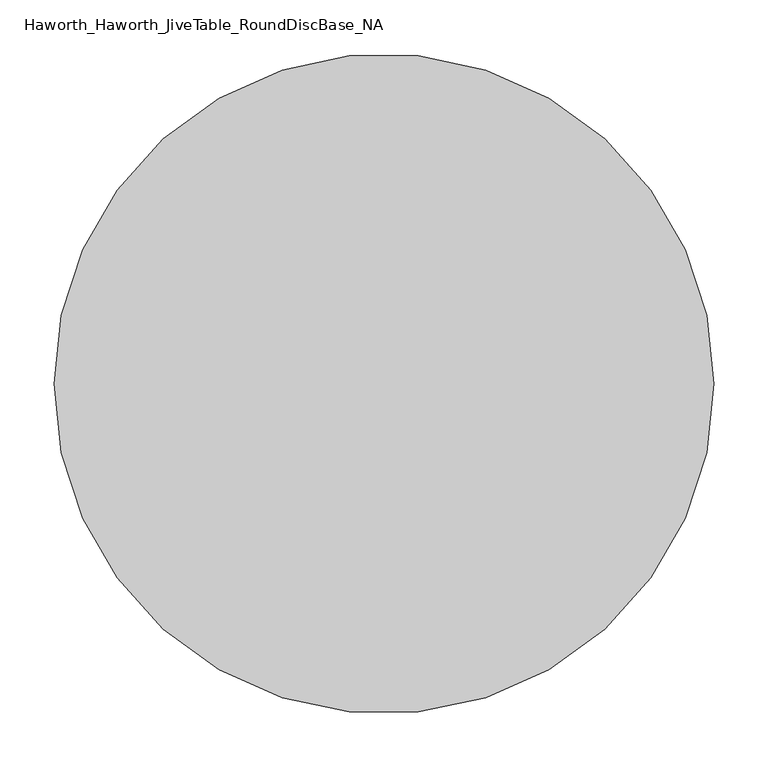
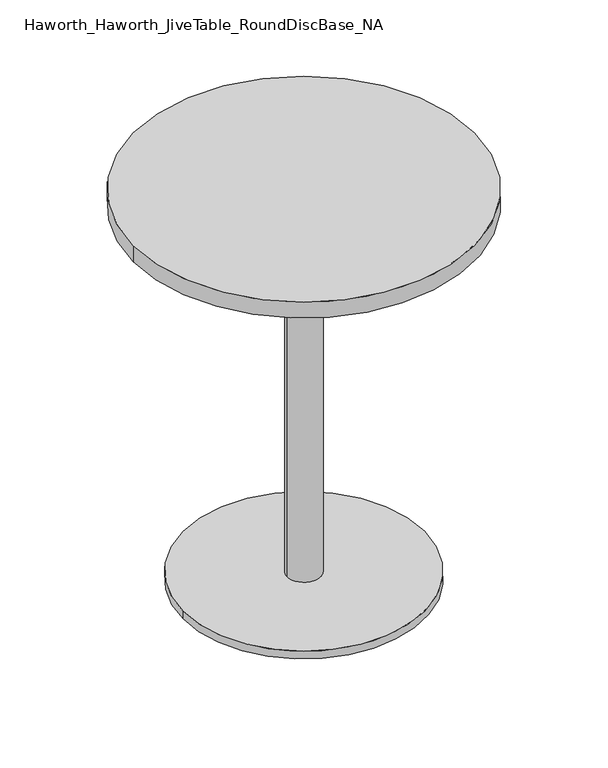
"""IFC4 building model written with IfcOpenShell, lengths in millimetres: furniture geometry, Haworth_Haworth_JiveTable_RoundDiscBase_NA."""

import ifcopenshell
import ifcopenshell.guid

model = None  # the IFC model being written
_history = None  # IfcOwnerHistory: only IFC2X3 demands one
_inside = {}  # id of a spatial element -> (the spatial element, [elements in it])
_under = {}  # id of a project, library or spatial element -> (it, [spatial elements below it])
_declared = {}  # id of a project -> (the project, [libraries it declares])
_typed = {}  # id of a type object -> (the type object, [elements of that type])
_made_of = {}  # id of a material, layer set ... -> (it, [elements and type objects made of it])


def new_model(schema):
    """Start an empty IFC model of exactly this schema.

    Asked for "IFC4X3", IfcOpenShell would pick the latest addendum, in which some entities
    have other attributes; the version numbers below select the first issue.
    IFC2X3 requires an IfcOwnerHistory on every rooted entity: one is made here for all.
    """
    global model, _history
    if schema == "IFC4X3":
        model = ifcopenshell.file(schema_version=(4, 3, 0, 0))
    else:
        model = ifcopenshell.file(schema=schema)
    _inside.clear()
    _under.clear()
    _declared.clear()
    _typed.clear()
    _made_of.clear()
    _history = None
    if model.schema == "IFC2X3":
        org = make("IfcOrganization", Name="unknown")
        user = make(
            "IfcPersonAndOrganization",
            ThePerson=make("IfcPerson", FamilyName="unknown"),
            TheOrganization=org,
        )
        app = make(
            "IfcApplication",
            ApplicationDeveloper=org,
            Version="unknown",
            ApplicationFullName="unknown",
            ApplicationIdentifier="unknown",
        )
        _history = make(
            "IfcOwnerHistory",
            OwningUser=user,
            OwningApplication=app,
            ChangeAction="ADDED",
            CreationDate=0,
        )
    return model


def make(cls, **values):
    """One entity of the class cls with the attributes given. An attribute that is None is left unset."""
    return model.create_entity(
        cls, **{name: value for name, value in values.items() if value is not None}
    )


def rooted(cls, **values):
    """An entity with a GlobalId (a new one), such as an element, a storey or a relation."""
    return make(cls, GlobalId=ifcopenshell.guid.new(), OwnerHistory=_history, **values)


def si_unit(unit_type, name, prefix=None):
    """IfcSIUnit, for example si_unit("LENGTHUNIT", "METRE", prefix="MILLI")."""
    return make("IfcSIUnit", UnitType=unit_type, Prefix=prefix, Name=name)


def assignment(units):
    """IfcUnitAssignment: the units of a project."""
    return None if units is None else make("IfcUnitAssignment", Units=units)


def point(xyz):
    """IfcCartesianPoint."""
    return None if xyz is None else make("IfcCartesianPoint", Coordinates=xyz)


def direction(xyz):
    """IfcDirection."""
    return None if xyz is None else make("IfcDirection", DirectionRatios=xyz)


def frame(location, z_axis=None, x_axis=None):
    """IfcAxis2Placement3D, a coordinate frame: its origin and axes. An axis left out is left unset."""
    return make(
        "IfcAxis2Placement3D",
        Location=point(location),
        Axis=direction(z_axis),
        RefDirection=direction(x_axis),
    )


def frame_2d(location, x_axis=None):
    """IfcAxis2Placement2D, a coordinate frame in the plane: its origin and x axis."""
    return make(
        "IfcAxis2Placement2D", Location=point(location), RefDirection=direction(x_axis)
    )


def origin():
    """The frame at (0, 0, 0) with its axes left unset."""
    return frame((0.0, 0.0, 0.0))


def origin_with_axes():
    """The frame at (0, 0, 0) with the z axis (0, 0, 1) and the x axis (1, 0, 0) written out."""
    return frame((0.0, 0.0, 0.0), z_axis=(0.0, 0.0, 1.0), x_axis=(1.0, 0.0, 0.0))


def origin_2d():
    """The frame at (0, 0) in the plane with its x axis left unset."""
    return frame_2d((0.0, 0.0))


def place(relative_to, where):
    """IfcLocalPlacement: puts the frame where relative to a parent placement (None: the world)."""
    return make(
        "IfcLocalPlacement", PlacementRelTo=relative_to, RelativePlacement=where
    )


def context(
    kind, dimensions, precision=None, world=None, true_north=None, identifier=None
):
    """IfcGeometricRepresentationContext, for example the 3D "Model" context."""
    return make(
        "IfcGeometricRepresentationContext",
        ContextIdentifier=identifier,
        ContextType=kind,
        CoordinateSpaceDimension=dimensions,
        Precision=precision,
        WorldCoordinateSystem=world,
        TrueNorth=true_north,
    )


def project(units=None, contexts=None):
    """IfcProject with its units and contexts."""
    return rooted(
        "IfcProject",
        Name="project",
        RepresentationContexts=contexts,
        UnitsInContext=assignment(units),
    )


def spatial(cls, under=None, at=None, **own):
    """A site, building, storey or space (cls), placed at a placement, below another one or the project."""
    s = rooted(cls, ObjectPlacement=at, **own)
    if under is not None:
        _under.setdefault(under.id(), (under, []))[1].append(s)
    return s


def polyline(points):
    """IfcPolyline through the points."""
    return make("IfcPolyline", Points=[point(p) for p in points])


def circle_curve(where, radius):
    """IfcCircle in the frame where."""
    return make("IfcCircle", Position=where, Radius=radius)


def trimmed(basis, trim1, trim2, sense, master):
    """IfcTrimmedCurve: the piece of a basis curve between two trims."""
    return make(
        "IfcTrimmedCurve",
        BasisCurve=basis,
        Trim1=trim1,
        Trim2=trim2,
        SenseAgreement=sense,
        MasterRepresentation=master,
    )


def segment(curve, same_sense, transition):
    """IfcCompositeCurveSegment."""
    return make(
        "IfcCompositeCurveSegment",
        Transition=transition,
        SameSense=same_sense,
        ParentCurve=curve,
    )


def composite_curve(segments, self_intersect=None):
    """IfcCompositeCurve: segments joined end to end."""
    return make("IfcCompositeCurve", Segments=segments, SelfIntersect=self_intersect)


def outline(outer, holes=None, kind="AREA"):
    """IfcArbitraryClosedProfileDef: a profile drawn as a closed curve; with holes, ...WithVoids."""
    if holes is None:
        return make("IfcArbitraryClosedProfileDef", ProfileType=kind, OuterCurve=outer)
    return make(
        "IfcArbitraryProfileDefWithVoids",
        ProfileType=kind,
        OuterCurve=outer,
        InnerCurves=holes,
    )


def extrude(swept, where, along, depth):
    """IfcExtrudedAreaSolid: the profile swept, set in the frame where, extruded along a direction by depth."""
    return make(
        "IfcExtrudedAreaSolid",
        SweptArea=swept,
        Position=where,
        ExtrudedDirection=direction(along),
        Depth=depth,
    )


def shape(context_of_items, identifier, shape_type, items):
    """IfcShapeRepresentation: the items that make up one representation, for example the "Body"."""
    return make(
        "IfcShapeRepresentation",
        ContextOfItems=context_of_items,
        RepresentationIdentifier=identifier,
        RepresentationType=shape_type,
        Items=items,
    )


def source(mapping_origin, context_of_items, identifier, shape_type, items):
    """IfcRepresentationMap: a shape defined once, which mapped items show again and again."""
    return make(
        "IfcRepresentationMap",
        MappingOrigin=mapping_origin,
        MappedRepresentation=shape(context_of_items, identifier, shape_type, items),
    )


def transform(
    local_origin,
    x_axis=None,
    y_axis=None,
    z_axis=None,
    scale=None,
    scale2=None,
    scale3=None,
    uniform=True,
):
    """IfcCartesianTransformationOperator3D, or its non-uniform kind. x_axis, y_axis, z_axis: its Axis1, 2, 3."""
    if uniform:
        return make(
            "IfcCartesianTransformationOperator3D",
            Axis1=direction(x_axis),
            Axis2=direction(y_axis),
            LocalOrigin=point(local_origin),
            Scale=scale,
            Axis3=direction(z_axis),
        )
    return make(
        "IfcCartesianTransformationOperator3DnonUniform",
        Axis1=direction(x_axis),
        Axis2=direction(y_axis),
        LocalOrigin=point(local_origin),
        Scale=scale,
        Axis3=direction(z_axis),
        Scale2=scale2,
        Scale3=scale3,
    )


def mapped(mapping_source, mapping_target):
    """IfcMappedItem: shows the shape of a source again, moved by a transform."""
    return make(
        "IfcMappedItem", MappingSource=mapping_source, MappingTarget=mapping_target
    )


def made_of(thing, what):
    """Note that an element or type object is made of a material, layer set ...; save() writes the relation."""
    if what is not None:
        _made_of.setdefault(what.id(), (what, []))[1].append(thing)
    return thing


def element(
    cls,
    number,
    at=None,
    inside=None,
    cuts=None,
    type_object=None,
    material=None,
    context=None,
    identifier="Body",
    shape_type=None,
    held_by="IfcProductDefinitionShape",
    body=None,
    shapes=None,
    **own,
):
    """One element of the class cls, such as IfcWall. Its Tag is "e" and its number.

    at: its placement. inside: the storey or other place that contains it. cuts: it is an
    opening in that element (IfcRelVoidsElement). A single representation is given by context,
    identifier, shape_type and body (its items); several are given by shapes. held_by: the class
    of the entity that holds the representations. save() writes the other relations.
    """
    e = rooted(cls, Tag="e%d" % number, ObjectPlacement=at, **own)
    if body is not None:
        shapes = [shape(context, identifier, shape_type, body)]
    if shapes is not None:
        e.Representation = make(held_by, Representations=shapes)
    if inside is not None:
        _inside.setdefault(inside.id(), (inside, []))[1].append(e)
    if cuts is not None:
        rooted(
            "IfcRelVoidsElement", RelatingBuildingElement=cuts, RelatedOpeningElement=e
        )
    if type_object is not None:
        _typed.setdefault(type_object.id(), (type_object, []))[1].append(e)
    return made_of(e, material)


def aggregate(whole, parts):
    """IfcRelAggregates: a whole, such as a stair, and the parts it consists of."""
    return rooted("IfcRelAggregates", RelatingObject=whole, RelatedObjects=parts)


def save(model, path):
    """Write the relations noted so far, then the file.

    IfcRelAggregates (storeys below a building ...), IfcRelContainedInSpatialStructure (elements
    in a storey), IfcRelDefinesByType, IfcRelAssociatesMaterial and IfcRelDeclares: one each for
    every whole, place, type object, material and project.
    """
    for whole, parts in _under.values():
        aggregate(whole, parts)
    for where, things in _inside.values():
        rooted(
            "IfcRelContainedInSpatialStructure",
            RelatedElements=things,
            RelatingStructure=where,
        )
    for kind, things in _typed.values():
        rooted("IfcRelDefinesByType", RelatedObjects=things, RelatingType=kind)
    for what, things in _made_of.values():
        rooted("IfcRelAssociatesMaterial", RelatedObjects=things, RelatingMaterial=what)
    for by, libraries in _declared.values():
        rooted("IfcRelDeclares", RelatingContext=by, RelatedDefinitions=libraries)
    model.write(path)


def haworth_haworth_jivetable_rounddiscbase_na_f767baa7(model_context):
    return source(origin(), model_context, "Body", "SweptSolid", [
        extrude(outline(composite_curve([segment(trimmed(circle_curve(origin_2d(), 29.9972969), [point((-29.9972969, 0.0))], [point((29.9972969, 0.0))], False, "CARTESIAN"), True, "CONTINUOUS"), segment(trimmed(circle_curve(origin_2d(), 29.9972969), [point((29.9972969, 0.0))], [point((-29.9972969, 0.0))], False, "CARTESIAN"), True, "CONTINUOUS")], self_intersect=False)), frame((0.0, 0.0, 14.3509999), z_axis=(0.0, 0.0, 1.0), x_axis=(1.0, 0.0, 0.0)), (0.0, 0.0, 1.0), 688.6574942),
        extrude(outline(composite_curve([segment(trimmed(circle_curve(origin_2d(), 215.9), [point((-215.9, 0.0))], [point((215.9, 0.0))], False, "CARTESIAN"), True, "CONTINUOUS"), segment(trimmed(circle_curve(origin_2d(), 215.9), [point((215.9, 0.0))], [point((-215.9, 0.0))], False, "CARTESIAN"), True, "CONTINUOUS")], self_intersect=False)), origin_with_axes(), (0.0, 0.0, 1.0), 14.3509999),
        extrude(outline(polyline([(0.0, 215.5237554), (215.5242103, 0.0), (0.0, -215.5237554), (-215.5240587, 0.0), (0.0, 215.5237554)])), frame((0.0, 0.0, 703.0084942), z_axis=(0.0, 0.0, 1.0), x_axis=(1.0, 0.0, 0.0)), (0.0, 0.0, 1.0), 3.4290058),
        extrude(outline(composite_curve([segment(trimmed(circle_curve(origin_2d(), 304.8), [point((304.8, 0.0))], [point((-304.8, 0.0))], False, "CARTESIAN"), True, "CONTINUOUS"), segment(trimmed(circle_curve(origin_2d(), 304.8), [point((-304.8, 0.0))], [point((304.8, 0.0))], False, "CARTESIAN"), True, "CONTINUOUS")], self_intersect=False)), frame((0.0, 0.0, 706.4375), z_axis=(0.0, 0.0, 1.0), x_axis=(1.0, 0.0, 0.0)), (0.0, 0.0, 1.0), 30.1625),
    ])


if __name__ == "__main__":
    model = new_model("IFC4")
    model_context = context("Model", 3, world=origin())
    ifc_project = project(units=[si_unit("LENGTHUNIT", "METRE", prefix="MILLI")], contexts=[model_context])
    site = spatial("IfcSite", under=ifc_project)
    building = spatial("IfcBuilding", under=site)
    placement = place(None, origin())
    haworth_haworth_jivetable_rounddiscbase_na_shape = haworth_haworth_jivetable_rounddiscbase_na_f767baa7(model_context)
    element("IfcFurniture", 1, ObjectType="Haworth_Haworth_JiveTable_RoundDiscBase_NA", at=placement, inside=building, context=model_context, shape_type="MappedRepresentation", body=[
        mapped(haworth_haworth_jivetable_rounddiscbase_na_shape, transform((0.0, 0.0, 0.0), x_axis=(1.0, 0.0, 0.0), y_axis=(0.0, 1.0, 0.0), z_axis=(0.0, 0.0, 1.0))),
    ])
    save(model, "model.ifc")
